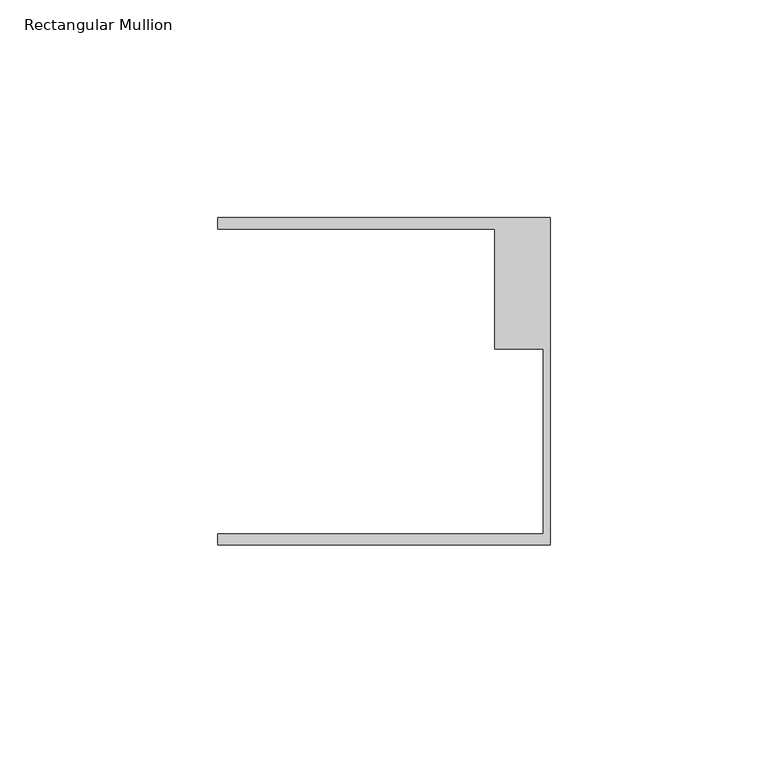
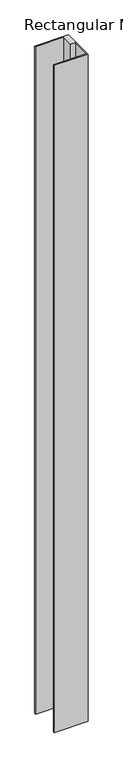
"""IFC4 building model written with IfcOpenShell, lengths in millimetres: member geometry, Rectangular Mullion."""

import ifcopenshell
import ifcopenshell.guid

model = None  # the IFC model being written
_history = None  # IfcOwnerHistory: only IFC2X3 demands one
_inside = {}  # id of a spatial element -> (the spatial element, [elements in it])
_under = {}  # id of a project, library or spatial element -> (it, [spatial elements below it])
_declared = {}  # id of a project -> (the project, [libraries it declares])
_typed = {}  # id of a type object -> (the type object, [elements of that type])
_made_of = {}  # id of a material, layer set ... -> (it, [elements and type objects made of it])


def new_model(schema):
    """Start an empty IFC model of exactly this schema.

    Asked for "IFC4X3", IfcOpenShell would pick the latest addendum, in which some entities
    have other attributes; the version numbers below select the first issue.
    IFC2X3 requires an IfcOwnerHistory on every rooted entity: one is made here for all.
    """
    global model, _history
    if schema == "IFC4X3":
        model = ifcopenshell.file(schema_version=(4, 3, 0, 0))
    else:
        model = ifcopenshell.file(schema=schema)
    _inside.clear()
    _under.clear()
    _declared.clear()
    _typed.clear()
    _made_of.clear()
    _history = None
    if model.schema == "IFC2X3":
        org = make("IfcOrganization", Name="unknown")
        user = make(
            "IfcPersonAndOrganization",
            ThePerson=make("IfcPerson", FamilyName="unknown"),
            TheOrganization=org,
        )
        app = make(
            "IfcApplication",
            ApplicationDeveloper=org,
            Version="unknown",
            ApplicationFullName="unknown",
            ApplicationIdentifier="unknown",
        )
        _history = make(
            "IfcOwnerHistory",
            OwningUser=user,
            OwningApplication=app,
            ChangeAction="ADDED",
            CreationDate=0,
        )
    return model


def make(cls, **values):
    """One entity of the class cls with the attributes given. An attribute that is None is left unset."""
    return model.create_entity(
        cls, **{name: value for name, value in values.items() if value is not None}
    )


def rooted(cls, **values):
    """An entity with a GlobalId (a new one), such as an element, a storey or a relation."""
    return make(cls, GlobalId=ifcopenshell.guid.new(), OwnerHistory=_history, **values)


def si_unit(unit_type, name, prefix=None):
    """IfcSIUnit, for example si_unit("LENGTHUNIT", "METRE", prefix="MILLI")."""
    return make("IfcSIUnit", UnitType=unit_type, Prefix=prefix, Name=name)


def assignment(units):
    """IfcUnitAssignment: the units of a project."""
    return None if units is None else make("IfcUnitAssignment", Units=units)


def point(xyz):
    """IfcCartesianPoint."""
    return None if xyz is None else make("IfcCartesianPoint", Coordinates=xyz)


def direction(xyz):
    """IfcDirection."""
    return None if xyz is None else make("IfcDirection", DirectionRatios=xyz)


def frame(location, z_axis=None, x_axis=None):
    """IfcAxis2Placement3D, a coordinate frame: its origin and axes. An axis left out is left unset."""
    return make(
        "IfcAxis2Placement3D",
        Location=point(location),
        Axis=direction(z_axis),
        RefDirection=direction(x_axis),
    )


def origin():
    """The frame at (0, 0, 0) with its axes left unset."""
    return frame((0.0, 0.0, 0.0))


def place(relative_to, where):
    """IfcLocalPlacement: puts the frame where relative to a parent placement (None: the world)."""
    return make(
        "IfcLocalPlacement", PlacementRelTo=relative_to, RelativePlacement=where
    )


def context(
    kind, dimensions, precision=None, world=None, true_north=None, identifier=None
):
    """IfcGeometricRepresentationContext, for example the 3D "Model" context."""
    return make(
        "IfcGeometricRepresentationContext",
        ContextIdentifier=identifier,
        ContextType=kind,
        CoordinateSpaceDimension=dimensions,
        Precision=precision,
        WorldCoordinateSystem=world,
        TrueNorth=true_north,
    )


def project(units=None, contexts=None):
    """IfcProject with its units and contexts."""
    return rooted(
        "IfcProject",
        Name="project",
        RepresentationContexts=contexts,
        UnitsInContext=assignment(units),
    )


def spatial(cls, under=None, at=None, **own):
    """A site, building, storey or space (cls), placed at a placement, below another one or the project."""
    s = rooted(cls, ObjectPlacement=at, **own)
    if under is not None:
        _under.setdefault(under.id(), (under, []))[1].append(s)
    return s


def polyline(points):
    """IfcPolyline through the points."""
    return make("IfcPolyline", Points=[point(p) for p in points])


def outline(outer, holes=None, kind="AREA"):
    """IfcArbitraryClosedProfileDef: a profile drawn as a closed curve; with holes, ...WithVoids."""
    if holes is None:
        return make("IfcArbitraryClosedProfileDef", ProfileType=kind, OuterCurve=outer)
    return make(
        "IfcArbitraryProfileDefWithVoids",
        ProfileType=kind,
        OuterCurve=outer,
        InnerCurves=holes,
    )


def extrude(swept, where, along, depth):
    """IfcExtrudedAreaSolid: the profile swept, set in the frame where, extruded along a direction by depth."""
    return make(
        "IfcExtrudedAreaSolid",
        SweptArea=swept,
        Position=where,
        ExtrudedDirection=direction(along),
        Depth=depth,
    )


def shape(context_of_items, identifier, shape_type, items):
    """IfcShapeRepresentation: the items that make up one representation, for example the "Body"."""
    return make(
        "IfcShapeRepresentation",
        ContextOfItems=context_of_items,
        RepresentationIdentifier=identifier,
        RepresentationType=shape_type,
        Items=items,
    )


def source(mapping_origin, context_of_items, identifier, shape_type, items):
    """IfcRepresentationMap: a shape defined once, which mapped items show again and again."""
    return make(
        "IfcRepresentationMap",
        MappingOrigin=mapping_origin,
        MappedRepresentation=shape(context_of_items, identifier, shape_type, items),
    )


def transform(
    local_origin,
    x_axis=None,
    y_axis=None,
    z_axis=None,
    scale=None,
    scale2=None,
    scale3=None,
    uniform=True,
):
    """IfcCartesianTransformationOperator3D, or its non-uniform kind. x_axis, y_axis, z_axis: its Axis1, 2, 3."""
    if uniform:
        return make(
            "IfcCartesianTransformationOperator3D",
            Axis1=direction(x_axis),
            Axis2=direction(y_axis),
            LocalOrigin=point(local_origin),
            Scale=scale,
            Axis3=direction(z_axis),
        )
    return make(
        "IfcCartesianTransformationOperator3DnonUniform",
        Axis1=direction(x_axis),
        Axis2=direction(y_axis),
        LocalOrigin=point(local_origin),
        Scale=scale,
        Axis3=direction(z_axis),
        Scale2=scale2,
        Scale3=scale3,
    )


def mapped(mapping_source, mapping_target):
    """IfcMappedItem: shows the shape of a source again, moved by a transform."""
    return make(
        "IfcMappedItem", MappingSource=mapping_source, MappingTarget=mapping_target
    )


def made_of(thing, what):
    """Note that an element or type object is made of a material, layer set ...; save() writes the relation."""
    if what is not None:
        _made_of.setdefault(what.id(), (what, []))[1].append(thing)
    return thing


def element(
    cls,
    number,
    at=None,
    inside=None,
    cuts=None,
    type_object=None,
    material=None,
    context=None,
    identifier="Body",
    shape_type=None,
    held_by="IfcProductDefinitionShape",
    body=None,
    shapes=None,
    **own,
):
    """One element of the class cls, such as IfcWall. Its Tag is "e" and its number.

    at: its placement. inside: the storey or other place that contains it. cuts: it is an
    opening in that element (IfcRelVoidsElement). A single representation is given by context,
    identifier, shape_type and body (its items); several are given by shapes. held_by: the class
    of the entity that holds the representations. save() writes the other relations.
    """
    e = rooted(cls, Tag="e%d" % number, ObjectPlacement=at, **own)
    if body is not None:
        shapes = [shape(context, identifier, shape_type, body)]
    if shapes is not None:
        e.Representation = make(held_by, Representations=shapes)
    if inside is not None:
        _inside.setdefault(inside.id(), (inside, []))[1].append(e)
    if cuts is not None:
        rooted(
            "IfcRelVoidsElement", RelatingBuildingElement=cuts, RelatedOpeningElement=e
        )
    if type_object is not None:
        _typed.setdefault(type_object.id(), (type_object, []))[1].append(e)
    return made_of(e, material)


def aggregate(whole, parts):
    """IfcRelAggregates: a whole, such as a stair, and the parts it consists of."""
    return rooted("IfcRelAggregates", RelatingObject=whole, RelatedObjects=parts)


def save(model, path):
    """Write the relations noted so far, then the file.

    IfcRelAggregates (storeys below a building ...), IfcRelContainedInSpatialStructure (elements
    in a storey), IfcRelDefinesByType, IfcRelAssociatesMaterial and IfcRelDeclares: one each for
    every whole, place, type object, material and project.
    """
    for whole, parts in _under.values():
        aggregate(whole, parts)
    for where, things in _inside.values():
        rooted(
            "IfcRelContainedInSpatialStructure",
            RelatedElements=things,
            RelatingStructure=where,
        )
    for kind, things in _typed.values():
        rooted("IfcRelDefinesByType", RelatedObjects=things, RelatingType=kind)
    for what, things in _made_of.values():
        rooted("IfcRelAssociatesMaterial", RelatedObjects=things, RelatingMaterial=what)
    for by, libraries in _declared.values():
        rooted("IfcRelDeclares", RelatingContext=by, RelatedDefinitions=libraries)
    model.write(path)


def rectangular_mullion_ebb4efa8(model_context):
    return source(origin(), model_context, "Body", "SweptSolid", [
        extrude(outline(polyline([(0.0, -37.5776386), (-76.2, -37.5776386), (-76.2, -35.0376386), (-1.5875, -35.0376386), (-1.5875, 7.3398614), (-12.7, 7.3398614), (-12.7, 34.9623614), (-76.2, 34.9623614), (-76.2, 37.5023614), (0.0, 37.5023614), (0.0, -37.5776386)])), frame((0.0, 0.0, -1585.0068), z_axis=(0.0, 0.0, 1.0), x_axis=(1.0, 0.0, 0.0)), (0.0, 0.0, 1.0), 1585.0068),
    ])


if __name__ == "__main__":
    model = new_model("IFC4")
    model_context = context("Model", 3, world=origin())
    ifc_project = project(units=[si_unit("LENGTHUNIT", "METRE", prefix="MILLI")], contexts=[model_context])
    site = spatial("IfcSite", under=ifc_project)
    building = spatial("IfcBuilding", under=site)
    placement = place(None, origin())
    rectangular_mullion_shape = rectangular_mullion_ebb4efa8(model_context)
    element("IfcMember", 1, ObjectType="Rectangular Mullion", at=placement, inside=building, context=model_context, shape_type="MappedRepresentation", body=[
        mapped(rectangular_mullion_shape, transform((0.0, 0.0, 0.0), x_axis=(1.0, 0.0, 0.0), y_axis=(0.0, 1.0, 0.0), z_axis=(0.0, 0.0, 1.0))),
    ])
    save(model, "model.ifc")
